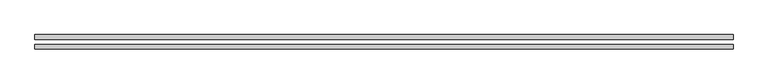
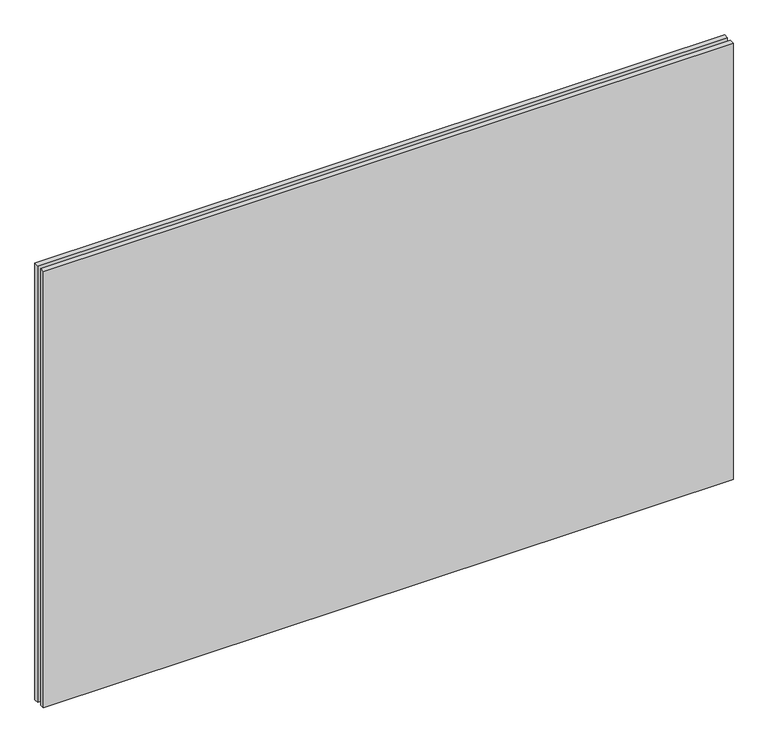
"""IFC4 building model written with IfcOpenShell, lengths in millimetres: plate geometry."""

from ifc_helpers import new_model, si_unit, origin, origin_with_axes, place, context, project, spatial, polyline, outline, extrude, source, transform, mapped, element, save


def plate_bf30f35e(model_context):
    return source(origin(), model_context, "Body", "SweptSolid", [
        extrude(outline(polyline([(605.0, -40.8), (-605.0, -40.8), (-605.0, -32.8), (605.0, -32.8), (605.0, -40.8)])), origin_with_axes(), (0.0, 0.0, 1.0), 810.0),
        extrude(outline(polyline([(605.0, -23.8), (-605.0, -23.8), (-605.0, -15.8), (605.0, -15.8), (605.0, -23.8)])), origin_with_axes(), (0.0, 0.0, 1.0), 810.0),
    ])


if __name__ == "__main__":
    model = new_model("IFC4")
    model_context = context("Model", 3, world=origin())
    ifc_project = project(units=[si_unit("LENGTHUNIT", "METRE", prefix="MILLI")], contexts=[model_context])
    site = spatial("IfcSite", under=ifc_project)
    building = spatial("IfcBuilding", under=site)
    placement = place(None, origin())
    plate_shape = plate_bf30f35e(model_context)
    element("IfcPlate", 1, at=placement, inside=building, context=model_context, shape_type="MappedRepresentation", body=[
        mapped(plate_shape, transform((0.0, 0.0, 0.0), x_axis=(1.0, 0.0, 0.0), y_axis=(0.0, 1.0, 0.0), z_axis=(0.0, 0.0, 1.0))),
    ])
    save(model, "model.ifc")
